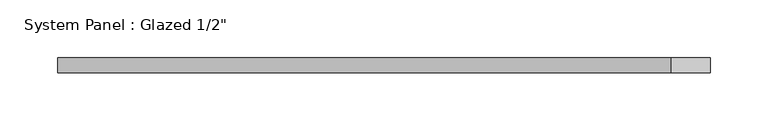
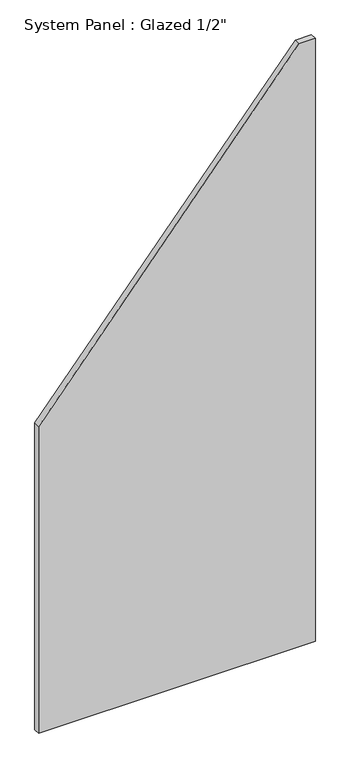
"""IFC4 building model written with IfcOpenShell, lengths in millimetres: plate geometry."""

import ifcopenshell
import ifcopenshell.guid

model = None  # the IFC model being written
_history = None  # IfcOwnerHistory: only IFC2X3 demands one
_inside = {}  # id of a spatial element -> (the spatial element, [elements in it])
_under = {}  # id of a project, library or spatial element -> (it, [spatial elements below it])
_declared = {}  # id of a project -> (the project, [libraries it declares])
_typed = {}  # id of a type object -> (the type object, [elements of that type])
_made_of = {}  # id of a material, layer set ... -> (it, [elements and type objects made of it])


def new_model(schema):
    """Start an empty IFC model of exactly this schema.

    Asked for "IFC4X3", IfcOpenShell would pick the latest addendum, in which some entities
    have other attributes; the version numbers below select the first issue.
    IFC2X3 requires an IfcOwnerHistory on every rooted entity: one is made here for all.
    """
    global model, _history
    if schema == "IFC4X3":
        model = ifcopenshell.file(schema_version=(4, 3, 0, 0))
    else:
        model = ifcopenshell.file(schema=schema)
    _inside.clear()
    _under.clear()
    _declared.clear()
    _typed.clear()
    _made_of.clear()
    _history = None
    if model.schema == "IFC2X3":
        org = make("IfcOrganization", Name="unknown")
        user = make(
            "IfcPersonAndOrganization",
            ThePerson=make("IfcPerson", FamilyName="unknown"),
            TheOrganization=org,
        )
        app = make(
            "IfcApplication",
            ApplicationDeveloper=org,
            Version="unknown",
            ApplicationFullName="unknown",
            ApplicationIdentifier="unknown",
        )
        _history = make(
            "IfcOwnerHistory",
            OwningUser=user,
            OwningApplication=app,
            ChangeAction="ADDED",
            CreationDate=0,
        )
    return model


def make(cls, **values):
    """One entity of the class cls with the attributes given. An attribute that is None is left unset."""
    return model.create_entity(
        cls, **{name: value for name, value in values.items() if value is not None}
    )


def rooted(cls, **values):
    """An entity with a GlobalId (a new one), such as an element, a storey or a relation."""
    return make(cls, GlobalId=ifcopenshell.guid.new(), OwnerHistory=_history, **values)


def si_unit(unit_type, name, prefix=None):
    """IfcSIUnit, for example si_unit("LENGTHUNIT", "METRE", prefix="MILLI")."""
    return make("IfcSIUnit", UnitType=unit_type, Prefix=prefix, Name=name)


def assignment(units):
    """IfcUnitAssignment: the units of a project."""
    return None if units is None else make("IfcUnitAssignment", Units=units)


def point(xyz):
    """IfcCartesianPoint."""
    return None if xyz is None else make("IfcCartesianPoint", Coordinates=xyz)


def direction(xyz):
    """IfcDirection."""
    return None if xyz is None else make("IfcDirection", DirectionRatios=xyz)


def frame(location, z_axis=None, x_axis=None):
    """IfcAxis2Placement3D, a coordinate frame: its origin and axes. An axis left out is left unset."""
    return make(
        "IfcAxis2Placement3D",
        Location=point(location),
        Axis=direction(z_axis),
        RefDirection=direction(x_axis),
    )


def origin():
    """The frame at (0, 0, 0) with its axes left unset."""
    return frame((0.0, 0.0, 0.0))


def place(relative_to, where):
    """IfcLocalPlacement: puts the frame where relative to a parent placement (None: the world)."""
    return make(
        "IfcLocalPlacement", PlacementRelTo=relative_to, RelativePlacement=where
    )


def context(
    kind, dimensions, precision=None, world=None, true_north=None, identifier=None
):
    """IfcGeometricRepresentationContext, for example the 3D "Model" context."""
    return make(
        "IfcGeometricRepresentationContext",
        ContextIdentifier=identifier,
        ContextType=kind,
        CoordinateSpaceDimension=dimensions,
        Precision=precision,
        WorldCoordinateSystem=world,
        TrueNorth=true_north,
    )


def project(units=None, contexts=None):
    """IfcProject with its units and contexts."""
    return rooted(
        "IfcProject",
        Name="project",
        RepresentationContexts=contexts,
        UnitsInContext=assignment(units),
    )


def spatial(cls, under=None, at=None, **own):
    """A site, building, storey or space (cls), placed at a placement, below another one or the project."""
    s = rooted(cls, ObjectPlacement=at, **own)
    if under is not None:
        _under.setdefault(under.id(), (under, []))[1].append(s)
    return s


def polyline(points):
    """IfcPolyline through the points."""
    return make("IfcPolyline", Points=[point(p) for p in points])


def outline(outer, holes=None, kind="AREA"):
    """IfcArbitraryClosedProfileDef: a profile drawn as a closed curve; with holes, ...WithVoids."""
    if holes is None:
        return make("IfcArbitraryClosedProfileDef", ProfileType=kind, OuterCurve=outer)
    return make(
        "IfcArbitraryProfileDefWithVoids",
        ProfileType=kind,
        OuterCurve=outer,
        InnerCurves=holes,
    )


def extrude(swept, where, along, depth):
    """IfcExtrudedAreaSolid: the profile swept, set in the frame where, extruded along a direction by depth."""
    return make(
        "IfcExtrudedAreaSolid",
        SweptArea=swept,
        Position=where,
        ExtrudedDirection=direction(along),
        Depth=depth,
    )


def shape(context_of_items, identifier, shape_type, items):
    """IfcShapeRepresentation: the items that make up one representation, for example the "Body"."""
    return make(
        "IfcShapeRepresentation",
        ContextOfItems=context_of_items,
        RepresentationIdentifier=identifier,
        RepresentationType=shape_type,
        Items=items,
    )


def source(mapping_origin, context_of_items, identifier, shape_type, items):
    """IfcRepresentationMap: a shape defined once, which mapped items show again and again."""
    return make(
        "IfcRepresentationMap",
        MappingOrigin=mapping_origin,
        MappedRepresentation=shape(context_of_items, identifier, shape_type, items),
    )


def transform(
    local_origin,
    x_axis=None,
    y_axis=None,
    z_axis=None,
    scale=None,
    scale2=None,
    scale3=None,
    uniform=True,
):
    """IfcCartesianTransformationOperator3D, or its non-uniform kind. x_axis, y_axis, z_axis: its Axis1, 2, 3."""
    if uniform:
        return make(
            "IfcCartesianTransformationOperator3D",
            Axis1=direction(x_axis),
            Axis2=direction(y_axis),
            LocalOrigin=point(local_origin),
            Scale=scale,
            Axis3=direction(z_axis),
        )
    return make(
        "IfcCartesianTransformationOperator3DnonUniform",
        Axis1=direction(x_axis),
        Axis2=direction(y_axis),
        LocalOrigin=point(local_origin),
        Scale=scale,
        Axis3=direction(z_axis),
        Scale2=scale2,
        Scale3=scale3,
    )


def mapped(mapping_source, mapping_target):
    """IfcMappedItem: shows the shape of a source again, moved by a transform."""
    return make(
        "IfcMappedItem", MappingSource=mapping_source, MappingTarget=mapping_target
    )


def made_of(thing, what):
    """Note that an element or type object is made of a material, layer set ...; save() writes the relation."""
    if what is not None:
        _made_of.setdefault(what.id(), (what, []))[1].append(thing)
    return thing


def element(
    cls,
    number,
    at=None,
    inside=None,
    cuts=None,
    type_object=None,
    material=None,
    context=None,
    identifier="Body",
    shape_type=None,
    held_by="IfcProductDefinitionShape",
    body=None,
    shapes=None,
    **own,
):
    """One element of the class cls, such as IfcWall. Its Tag is "e" and its number.

    at: its placement. inside: the storey or other place that contains it. cuts: it is an
    opening in that element (IfcRelVoidsElement). A single representation is given by context,
    identifier, shape_type and body (its items); several are given by shapes. held_by: the class
    of the entity that holds the representations. save() writes the other relations.
    """
    e = rooted(cls, Tag="e%d" % number, ObjectPlacement=at, **own)
    if body is not None:
        shapes = [shape(context, identifier, shape_type, body)]
    if shapes is not None:
        e.Representation = make(held_by, Representations=shapes)
    if inside is not None:
        _inside.setdefault(inside.id(), (inside, []))[1].append(e)
    if cuts is not None:
        rooted(
            "IfcRelVoidsElement", RelatingBuildingElement=cuts, RelatedOpeningElement=e
        )
    if type_object is not None:
        _typed.setdefault(type_object.id(), (type_object, []))[1].append(e)
    return made_of(e, material)


def aggregate(whole, parts):
    """IfcRelAggregates: a whole, such as a stair, and the parts it consists of."""
    return rooted("IfcRelAggregates", RelatingObject=whole, RelatedObjects=parts)


def save(model, path):
    """Write the relations noted so far, then the file.

    IfcRelAggregates (storeys below a building ...), IfcRelContainedInSpatialStructure (elements
    in a storey), IfcRelDefinesByType, IfcRelAssociatesMaterial and IfcRelDeclares: one each for
    every whole, place, type object, material and project.
    """
    for whole, parts in _under.values():
        aggregate(whole, parts)
    for where, things in _inside.values():
        rooted(
            "IfcRelContainedInSpatialStructure",
            RelatedElements=things,
            RelatingStructure=where,
        )
    for kind, things in _typed.values():
        rooted("IfcRelDefinesByType", RelatedObjects=things, RelatingType=kind)
    for what, things in _made_of.values():
        rooted("IfcRelAssociatesMaterial", RelatedObjects=things, RelatingMaterial=what)
    for by, libraries in _declared.values():
        rooted("IfcRelDeclares", RelatingContext=by, RelatedDefinitions=libraries)
    model.write(path)


def plate_51ee5dec(model_context):
    return source(origin(), model_context, "Body", "SweptSolid", [
        extrude(outline(polyline([(0.0, -281.7956866), (0.0, 281.7956866), (1296.5067848, 281.7956866), (1296.5067848, 248.3574837), (659.3419716, -281.7956866), (0.0, -281.7956866)])), frame((0.0, -6.35, 0.0), z_axis=(0.0, 1.0, 0.0), x_axis=(0.0, 0.0, 1.0)), (0.0, 0.0, 1.0), 12.7),
    ])


if __name__ == "__main__":
    model = new_model("IFC4")
    model_context = context("Model", 3, world=origin())
    ifc_project = project(units=[si_unit("LENGTHUNIT", "METRE", prefix="MILLI")], contexts=[model_context])
    site = spatial("IfcSite", under=ifc_project)
    building = spatial("IfcBuilding", under=site)
    placement = place(None, origin())
    plate_shape = plate_51ee5dec(model_context)
    element("IfcPlate", 1, ObjectType="System Panel : Glazed 1/2\"", at=placement, inside=building, context=model_context, shape_type="MappedRepresentation", body=[
        mapped(plate_shape, transform((0.0, 0.0, 0.0), x_axis=(1.0, 0.0, 0.0), y_axis=(0.0, 1.0, 0.0), z_axis=(0.0, 0.0, 1.0))),
    ])
    save(model, "model.ifc")
